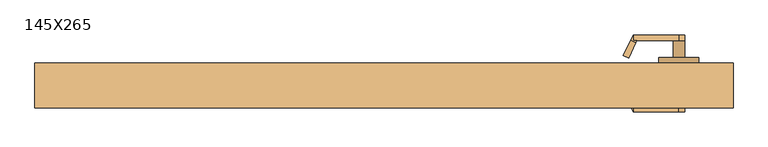
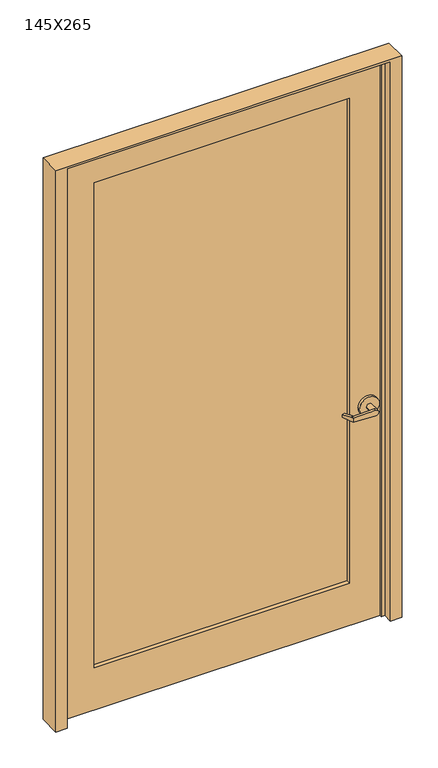
"""IFC4 building model written with IfcOpenShell, lengths in millimetres: door geometry, 145X265."""

from ifc_helpers import new_model, si_unit, frame, origin, place, context, project, spatial, polyline, circle_curve, outline, extrude, faceted_brep, source, transform, mapped, element, save
from ifc_brep_helpers import plane_surface, cylinder_surface, advanced_brep


def door_145x265_58f10906(model_context):
    return source(origin(), model_context, "Body", "SolidModel", [
        advanced_brep(
        [(559.692857, -41.0726392, 1006.475), (543.5911012, -6.5423125, 1009.65), (543.5911012, -6.5423125, 1022.35), (559.692857, -41.0726392, 1025.525), (561.6407923, -45.25, 1025.525), (561.6407923, -45.25, 1006.475), (553.55, -57.95, 1025.525), (548.1827481, -46.4398911, 1025.525), (532.0809923, -11.9095644, 1022.35), (532.0809923, -11.9095644, 1009.65), (548.1827481, -46.4398911, 1006.475), (553.55, -57.95, 1006.475), (553.55, -45.25, 1006.475), (553.55, -45.25, 1025.525), (654.7525418, -57.95, 1003.3062209), (654.7525418, -57.95, 1028.6937791), (654.7525418, -45.25, 1028.6937791), (642.45, -45.25, 1016.0), (654.7525418, -45.25, 1003.3062209), (667.85, -45.25, 1016.0), (667.85, -7.15, 1016.0), (642.45, -7.15, 1016.0), (699.6, -7.15, 1016.0), (610.7, -7.15, 1016.0), (699.6, 5.55, 1016.0), (610.7, 5.55, 1016.0)],
        [
            (0, 1),
            (1, 2),
            (2, 3),
            (3, 4),
            (4, 5),
            (5, 0),
            (6, 7),
            (7, 8),
            (8, 9),
            (9, 10),
            (10, 11),
            (11, 6),
            (10, 0),
            (5, 12),
            (12, 11),
            (9, 1),
            (8, 2),
            (7, 3),
            (6, 13),
            (13, 4),
            (11, 14),
            (14, 15, circle_curve(frame((655.15, -57.95, 1016.0), z_axis=(0.0, -1.0, 0.0), x_axis=(-1.0, 0.0, 0.0)), 12.7)),
            (15, 6),
            (13, 16),
            (16, 17, circle_curve(frame((655.15, -45.25, 1016.0), z_axis=(0.0, -1.0, 0.0), x_axis=(-1.0, 0.0, 0.0)), 12.7)),
            (17, 18, circle_curve(frame((655.15, -45.25, 1016.0), z_axis=(0.0, -1.0, 0.0), x_axis=(-1.0, 0.0, 0.0)), 12.7)),
            (18, 12),
            (18, 14),
            (18, 19, circle_curve(frame((655.15, -45.25, 1016.0), z_axis=(0.0, -1.0, 0.0), x_axis=(-1.0, 0.0, 0.0)), 12.7)),
            (19, 16, circle_curve(frame((655.15, -45.25, 1016.0), z_axis=(0.0, -1.0, 0.0), x_axis=(-1.0, 0.0, 0.0)), 12.7)),
            (16, 15),
            (19, 20),
            (20, 21, circle_curve(frame((655.15, -7.15, 1016.0), z_axis=(0.0, -1.0, 0.0), x_axis=(-1.0, 0.0, 0.0)), 12.7)),
            (21, 17),
            (21, 20, circle_curve(frame((655.15, -7.15, 1016.0), z_axis=(0.0, -1.0, 0.0), x_axis=(-1.0, 0.0, 0.0)), 12.7)),
            (22, 23, circle_curve(frame((655.15, -7.15, 1016.0), z_axis=(0.0, -1.0, 0.0), x_axis=(-1.0, 0.0, 0.0)), 44.45)),
            (23, 22, circle_curve(frame((655.15, -7.15, 1016.0), z_axis=(0.0, -1.0, 0.0), x_axis=(-1.0, 0.0, 0.0)), 44.45)),
            (24, 25, circle_curve(frame((655.15, 5.55, 1016.0), z_axis=(0.0, 1.0, 0.0), x_axis=(-1.0, 0.0, 0.0)), 44.45)),
            (25, 24, circle_curve(frame((655.15, 5.55, 1016.0), z_axis=(0.0, 1.0, 0.0), x_axis=(-1.0, 0.0, 0.0)), 44.45)),
            (22, 24),
            (25, 23),
        ],
        [
            plane_surface(frame((565.0601089, -52.5827481, 1006.475), z_axis=(0.9063077870366494, 0.4226182617407007, 0.0), x_axis=(0.0, 0.0, -1.0))),
            plane_surface(frame((553.55, -57.95, 1006.475), z_axis=(-0.9063077870366494, -0.4226182617407007, 0.0), x_axis=(0.0, 0.0, 1.0))),
            plane_surface(frame((565.0601089, -52.5827481, 1006.475), z_axis=(0.0, 0.0, -1.0000000000000002), x_axis=(-0.9063077870366494, -0.42261826174070094, 0.0))),
            plane_surface(frame((559.692857, -41.0726392, 1006.475), z_axis=(-0.035096536341209586, 0.07526476506963879, -0.9965457582448799), x_axis=(-0.9063077870366494, -0.42261826174070094, 0.0))),
            plane_surface(frame((543.5911012, -6.5423125, 1009.65), z_axis=(-0.42261826174070094, 0.9063077870366494, 0.0), x_axis=(-0.9063077870366494, -0.42261826174070094, 0.0))),
            plane_surface(frame((543.5911012, -6.5423125, 1022.35), z_axis=(-0.03509653634121044, 0.07526476506964089, 0.9965457582448796), x_axis=(-0.9063077870366495, -0.42261826174070033, 0.0))),
            plane_surface(frame((559.692857, -41.0726392, 1025.525), z_axis=(0.0, 0.0, 1.0000000000000002), x_axis=(-0.9063077870366494, -0.42261826174070094, 0.0))),
            plane_surface(frame((553.55, -57.95, 1006.475), z_axis=(0.0, -1.0, 0.0), x_axis=(0.9995101626549141, 0.0, -0.03129592225110647))),
            plane_surface(frame((553.55, -45.25, 1006.475), z_axis=(0.0, 1.0, 0.0), x_axis=(-0.9995101626549141, 0.0, 0.03129592225110647))),
            plane_surface(frame((553.55, -57.95, 1006.475), z_axis=(-0.03129592225110647, 0.0, -0.9995101626549141), x_axis=(0.0, 1.0, 0.0))),
            cylinder_surface(frame((655.15, -45.25, 1016.0), z_axis=(0.0, -1.0, 0.0), x_axis=(-1.0, 0.0, 0.0)), 12.7),
            plane_surface(frame((654.7525418, -57.95, 1028.6937791), z_axis=(-0.03129592225110282, 0.0, 0.9995101626549142), x_axis=(0.0, 1.0, 0.0))),
            cylinder_surface(frame((655.15, -7.15, 1016.0), z_axis=(0.0, -1.0, 0.0), x_axis=(-1.0, 0.0, 0.0)), 12.7),
            plane_surface(frame((610.7, -7.15, 1016.0), z_axis=(0.0, -1.0, 0.0), x_axis=(0.0, 0.0, -1.0))),
            plane_surface(frame((610.7, 5.55, 1016.0), z_axis=(0.0, 1.0, 0.0), x_axis=(0.0, 0.0, 1.0))),
            cylinder_surface(frame((655.15, 5.55, 1016.0), z_axis=(0.0, -1.0, 0.0), x_axis=(-1.0, 0.0, 0.0)), 44.45),
        ],
        [
            (0, [[1, 2, 3, 4, 5, 6]]),
            (1, [[7, 8, 9, 10, 11, 12]]),
            (2, [[-11, 13, -6, 14, 15]]),
            (3, [[-1, -13, -10, 16]]),
            (4, [[-2, -16, -9, 17]]),
            (5, [[-3, -17, -8, 18]]),
            (6, [[-7, 19, 20, -4, -18]]),
            (7, [[21, 22, 23, -12]]),
            (8, [[24, 25, 26, 27, -14, -5, -20]]),
            (9, [[-21, -15, -27, 28]]),
            (10, [[-22, -28, 29, 30, 31]]),
            (11, [[-23, -31, -24, -19]]),
            (12, [[32, 33, 34, -25, -30]]),
            (12, [[-32, -29, -26, -34, 35]]),
            (13, [[36, 37], [-33, -35]]),
            (14, [[38, 39]]),
            (15, [[-36, 40, -39, 41]]),
            (15, [[-37, -41, -38, -40]]),
        ],
    ),
        advanced_brep(
        [(559.692857, 96.6226392, 1025.525), (543.5911012, 62.0923125, 1022.35), (543.5911012, 62.0923125, 1009.65), (559.692857, 96.6226392, 1006.475), (561.6407923, 100.8, 1006.475), (561.6407923, 100.8, 1025.525), (553.55, 113.5, 1006.475), (548.1827481, 101.9898911, 1006.475), (532.0809923, 67.4595644, 1009.65), (532.0809923, 67.4595644, 1022.35), (548.1827481, 101.9898911, 1025.525), (553.55, 113.5, 1025.525), (553.55, 100.8, 1025.525), (553.55, 100.8, 1006.475), (654.7525418, 113.5, 1028.6937791), (654.7525418, 113.5, 1003.3062209), (654.7525418, 100.8, 1003.3062209), (642.45, 100.8, 1016.0), (654.7525418, 100.8, 1028.6937791), (667.85, 100.8, 1016.0), (667.85, 62.7, 1016.0), (642.45, 62.7, 1016.0), (699.6, 62.7, 1016.0), (610.7, 62.7, 1016.0), (699.6, 50.0, 1016.0), (610.7, 50.0, 1016.0)],
        [
            (0, 1),
            (1, 2),
            (2, 3),
            (3, 4),
            (4, 5),
            (5, 0),
            (6, 7),
            (7, 8),
            (8, 9),
            (9, 10),
            (10, 11),
            (11, 6),
            (10, 0),
            (5, 12),
            (12, 11),
            (9, 1),
            (8, 2),
            (7, 3),
            (6, 13),
            (13, 4),
            (11, 14),
            (14, 15, circle_curve(frame((655.15, 113.5, 1016.0), z_axis=(0.0, 1.0, 0.0), x_axis=(-1.0, 0.0, 0.0)), 12.7)),
            (15, 6),
            (13, 16),
            (16, 17, circle_curve(frame((655.15, 100.8, 1016.0), z_axis=(0.0, 1.0, 0.0), x_axis=(-1.0, 0.0, 0.0)), 12.7)),
            (17, 18, circle_curve(frame((655.15, 100.8, 1016.0), z_axis=(0.0, 1.0, 0.0), x_axis=(-1.0, 0.0, 0.0)), 12.7)),
            (18, 12),
            (18, 14),
            (18, 19, circle_curve(frame((655.15, 100.8, 1016.0), z_axis=(0.0, 1.0, 0.0), x_axis=(-1.0, 0.0, 0.0)), 12.7)),
            (19, 16, circle_curve(frame((655.15, 100.8, 1016.0), z_axis=(0.0, 1.0, 0.0), x_axis=(-1.0, 0.0, 0.0)), 12.7)),
            (16, 15),
            (19, 20),
            (20, 21, circle_curve(frame((655.15, 62.7, 1016.0), z_axis=(0.0, 1.0, 0.0), x_axis=(-1.0, 0.0, 0.0)), 12.7)),
            (21, 17),
            (21, 20, circle_curve(frame((655.15, 62.7, 1016.0), z_axis=(0.0, 1.0, 0.0), x_axis=(-1.0, 0.0, 0.0)), 12.7)),
            (22, 23, circle_curve(frame((655.15, 62.7, 1016.0), z_axis=(0.0, 1.0, 0.0), x_axis=(-1.0, 0.0, 0.0)), 44.45)),
            (23, 22, circle_curve(frame((655.15, 62.7, 1016.0), z_axis=(0.0, 1.0, 0.0), x_axis=(-1.0, 0.0, 0.0)), 44.45)),
            (24, 25, circle_curve(frame((655.15, 50.0, 1016.0), z_axis=(0.0, -1.0, 0.0), x_axis=(-1.0, 0.0, 0.0)), 44.45)),
            (25, 24, circle_curve(frame((655.15, 50.0, 1016.0), z_axis=(0.0, -1.0, 0.0), x_axis=(-1.0, 0.0, 0.0)), 44.45)),
            (22, 24),
            (25, 23),
        ],
        [
            plane_surface(frame((565.0601089, 108.1327481, 1025.525), z_axis=(0.9063077870366494, -0.4226182617407007, 0.0), x_axis=(0.0, 0.0, 1.0))),
            plane_surface(frame((553.55, 113.5, 1025.525), z_axis=(-0.9063077870366494, 0.4226182617407007, 0.0), x_axis=(0.0, 0.0, -1.0))),
            plane_surface(frame((565.0601089, 108.1327481, 1025.525), z_axis=(0.0, 0.0, 1.0000000000000002), x_axis=(-0.9063077870366494, 0.42261826174070094, 0.0))),
            plane_surface(frame((559.692857, 96.6226392, 1025.525), z_axis=(-0.03509653634120952, -0.07526476506963879, 0.9965457582448799), x_axis=(-0.9063077870366494, 0.42261826174070094, 0.0))),
            plane_surface(frame((543.5911012, 62.0923125, 1022.35), z_axis=(-0.42261826174070094, -0.9063077870366494, 0.0), x_axis=(-0.9063077870366494, 0.42261826174070094, 0.0))),
            plane_surface(frame((543.5911012, 62.0923125, 1009.65), z_axis=(-0.03509653634121051, -0.07526476506964089, -0.9965457582448796), x_axis=(-0.9063077870366495, 0.42261826174070033, 0.0))),
            plane_surface(frame((559.692857, 96.6226392, 1006.475), z_axis=(0.0, 0.0, -1.0000000000000002), x_axis=(-0.9063077870366494, 0.42261826174070094, 0.0))),
            plane_surface(frame((553.55, 113.5, 1025.525), z_axis=(0.0, 1.0, 0.0), x_axis=(0.9995101626549141, 0.0, 0.0312959222511064))),
            plane_surface(frame((553.55, 100.8, 1025.525), z_axis=(0.0, -1.0, 0.0), x_axis=(-0.9995101626549141, 0.0, -0.0312959222511064))),
            plane_surface(frame((553.55, 113.5, 1025.525), z_axis=(-0.0312959222511064, 0.0, 0.9995101626549141), x_axis=(0.0, -1.0, 0.0))),
            cylinder_surface(frame((655.15, 100.8, 1016.0), z_axis=(0.0, 1.0, 0.0), x_axis=(-1.0, 0.0, 0.0)), 12.7),
            plane_surface(frame((654.7525418, 113.5, 1003.3062209), z_axis=(-0.03129592225110289, 0.0, -0.9995101626549142), x_axis=(0.0, -1.0, 0.0))),
            cylinder_surface(frame((655.15, 62.7, 1016.0), z_axis=(0.0, 1.0, 0.0), x_axis=(-1.0, 0.0, 0.0)), 12.7),
            plane_surface(frame((610.7, 62.7, 1016.0), z_axis=(0.0, 1.0, 0.0), x_axis=(0.0, 0.0, 1.0))),
            plane_surface(frame((610.7, 50.0, 1016.0), z_axis=(0.0, -1.0, 0.0), x_axis=(0.0, 0.0, -1.0))),
            cylinder_surface(frame((655.15, 50.0, 1016.0), z_axis=(0.0, 1.0, 0.0), x_axis=(-1.0, 0.0, 0.0)), 44.45),
        ],
        [
            (0, [[1, 2, 3, 4, 5, 6]]),
            (1, [[7, 8, 9, 10, 11, 12]]),
            (2, [[-11, 13, -6, 14, 15]]),
            (3, [[-1, -13, -10, 16]]),
            (4, [[-2, -16, -9, 17]]),
            (5, [[-3, -17, -8, 18]]),
            (6, [[-7, 19, 20, -4, -18]]),
            (7, [[21, 22, 23, -12]]),
            (8, [[24, 25, 26, 27, -14, -5, -20]]),
            (9, [[-21, -15, -27, 28]]),
            (10, [[-22, -28, 29, 30, 31]]),
            (11, [[-23, -31, -24, -19]]),
            (12, [[32, 33, 34, -25, -30]]),
            (12, [[-32, -29, -26, -34, 35]]),
            (13, [[36, 37], [-33, -35]]),
            (14, [[38, 39]]),
            (15, [[-36, 40, -39, 41]]),
            (15, [[-37, -41, -38, -40]]),
        ],
    ),
        extrude(outline(polyline([(-572.6, 30.95), (572.6, 30.95), (572.6, 24.6), (-572.6, 24.6), (-572.6, 30.95)])), frame((0.0, 0.0, 200.0), z_axis=(0.0, 0.0, 1.0), x_axis=(1.0, 0.0, 0.0)), (0.0, 0.0, 1.0), 2297.6),
        extrude(outline(polyline([(2650.0, -725.0), (0.0, -725.0), (0.0, 725.0), (2650.0, 725.0), (2650.0, -725.0)]), holes=[polyline([(2497.6, -572.6), (2497.6, 572.6), (200.0, 572.6), (200.0, -572.6), (2497.6, -572.6)])]), frame((0.0, 5.55, 0.0), z_axis=(0.0, 1.0, 0.0), x_axis=(0.0, 0.0, 1.0)), (0.0, 0.0, 1.0), 44.45),
        faceted_brep([(-725.0, 50.0, 0.0), (-725.0, 5.55, 0.0), (-709.125, 5.55, 0.0), (-709.125, -5.55, 0.0), (-725.0, -5.55, 0.0), (-725.0, -50.0, 0.0), (-775.8, -50.0, 0.0), (-775.8, 50.0, 0.0), (-725.0, 50.0, 2650.0), (-725.0, 5.55, 2650.0), (725.0, 5.55, 2650.0), (725.0, 5.55, 0.0), (709.125, 5.55, 0.0), (709.125, 5.55, 2634.125), (-709.125, 5.55, 2634.125), (-709.125, -5.55, 2634.125), (709.125, -5.55, 2634.125), (709.125, -5.55, 0.0), (725.0, -5.55, 0.0), (725.0, -5.55, 2650.0), (-725.0, -5.55, 2650.0), (-725.0, -50.0, 2650.0), (725.0, -50.0, 2650.0), (725.0, -50.0, 0.0), (775.8, -50.0, 0.0), (775.8, -50.0, 2660.0), (-775.8, -50.0, 2660.0), (-775.8, 50.0, 2660.0), (775.8, 50.0, 2660.0), (775.8, 50.0, 0.0), (725.0, 50.0, 0.0), (725.0, 50.0, 2650.0)], [[[0, 1, 2, 3, 4, 5, 6, 7]], [[1, 0, 8, 9]], [[2, 1, 9, 10, 11, 12, 13, 14]], [[3, 2, 14, 15]], [[4, 3, 15, 16, 17, 18, 19, 20]], [[5, 4, 20, 21]], [[6, 5, 21, 22, 23, 24, 25, 26]], [[7, 6, 26, 27]], [[0, 7, 27, 28, 29, 30, 31, 8]], [[30, 11, 10, 31]], [[30, 29, 24, 23, 18, 17, 12, 11]], [[12, 17, 16, 13]], [[19, 18, 23, 22]], [[29, 28, 25, 24]], [[10, 9, 8, 31]], [[15, 14, 13, 16]], [[21, 20, 19, 22]], [[25, 28, 27, 26]]]),
    ])


if __name__ == "__main__":
    model = new_model("IFC4")
    model_context = context("Model", 3, world=origin())
    ifc_project = project(units=[si_unit("LENGTHUNIT", "METRE", prefix="MILLI")], contexts=[model_context])
    site = spatial("IfcSite", under=ifc_project)
    building = spatial("IfcBuilding", under=site)
    placement = place(None, origin())
    door_145x265_shape = door_145x265_58f10906(model_context)
    element("IfcDoor", 1, ObjectType="145X265", at=placement, inside=building, context=model_context, shape_type="MappedRepresentation", body=[
        mapped(door_145x265_shape, transform((0.0, 0.0, 0.0), x_axis=(1.0, 0.0, 0.0), y_axis=(0.0, 1.0, 0.0), z_axis=(0.0, 0.0, 1.0))),
    ])
    save(model, "model.ifc")
